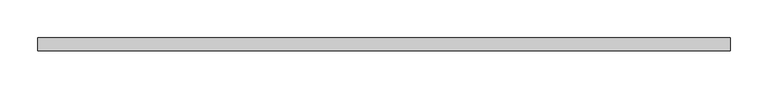
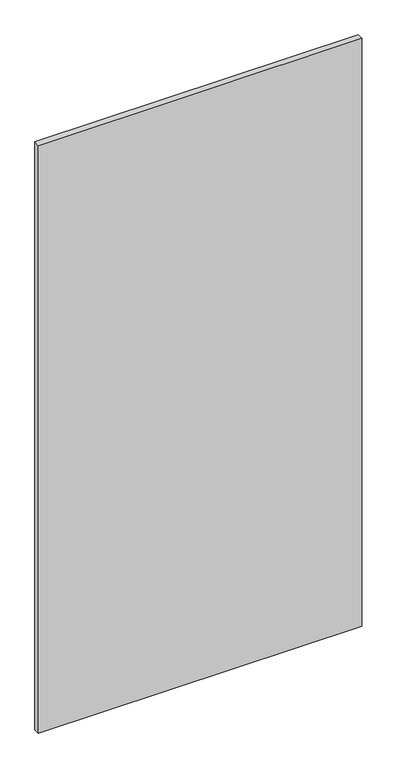
"""IFC4 building model written with IfcOpenShell, lengths in millimetres: plate geometry."""

from ifc_helpers import new_model, si_unit, origin, origin_with_axes, place, context, project, spatial, polyline, outline, extrude, source, transform, mapped, element, save


def plate_09eea7c0(model_context):
    return source(origin(), model_context, "Body", "SweptSolid", [
        extrude(outline(polyline([(458.393627, -8.73125), (-458.393627, -8.73125), (-458.393627, 8.73125), (458.393627, 8.73125), (458.393627, -8.73125)])), origin_with_axes(), (0.0, 0.0, 1.0), 1761.3),
    ])


if __name__ == "__main__":
    model = new_model("IFC4")
    model_context = context("Model", 3, world=origin())
    ifc_project = project(units=[si_unit("LENGTHUNIT", "METRE", prefix="MILLI")], contexts=[model_context])
    site = spatial("IfcSite", under=ifc_project)
    building = spatial("IfcBuilding", under=site)
    placement = place(None, origin())
    plate_shape = plate_09eea7c0(model_context)
    element("IfcPlate", 1, at=placement, inside=building, context=model_context, shape_type="MappedRepresentation", body=[
        mapped(plate_shape, transform((0.0, 0.0, 0.0), x_axis=(1.0, 0.0, 0.0), y_axis=(0.0, 1.0, 0.0), z_axis=(0.0, 0.0, 1.0))),
    ])
    save(model, "model.ifc")
